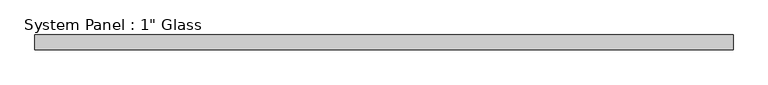
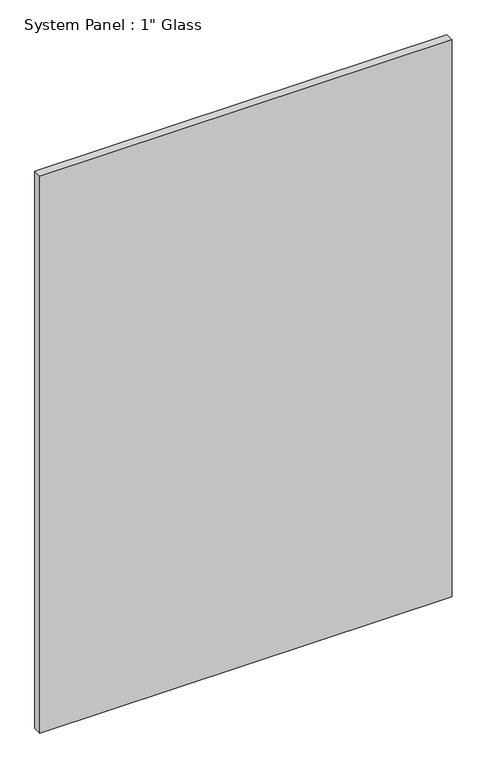
"""IFC4 building model written with IfcOpenShell, lengths in millimetres: plate geometry."""

from ifc_helpers import new_model, si_unit, origin, origin_with_axes, place, context, project, spatial, polyline, outline, extrude, source, transform, mapped, element, save


def plate_298d6b14(model_context):
    return source(origin(), model_context, "Body", "SweptSolid", [
        extrude(outline(polyline([(593.6250723, -12.7), (-593.6250723, -12.7), (-593.6250723, 12.7), (593.6250723, 12.7), (593.6250723, -12.7)])), origin_with_axes(), (0.0, 0.0, 1.0), 1695.45),
    ])


if __name__ == "__main__":
    model = new_model("IFC4")
    model_context = context("Model", 3, world=origin())
    ifc_project = project(units=[si_unit("LENGTHUNIT", "METRE", prefix="MILLI")], contexts=[model_context])
    site = spatial("IfcSite", under=ifc_project)
    building = spatial("IfcBuilding", under=site)
    placement = place(None, origin())
    plate_shape = plate_298d6b14(model_context)
    element("IfcPlate", 1, ObjectType="System Panel : 1\" Glass", at=placement, inside=building, context=model_context, shape_type="MappedRepresentation", body=[
        mapped(plate_shape, transform((0.0, 0.0, 0.0), x_axis=(1.0, 0.0, 0.0), y_axis=(0.0, 1.0, 0.0), z_axis=(0.0, 0.0, 1.0))),
    ])
    save(model, "model.ifc")
